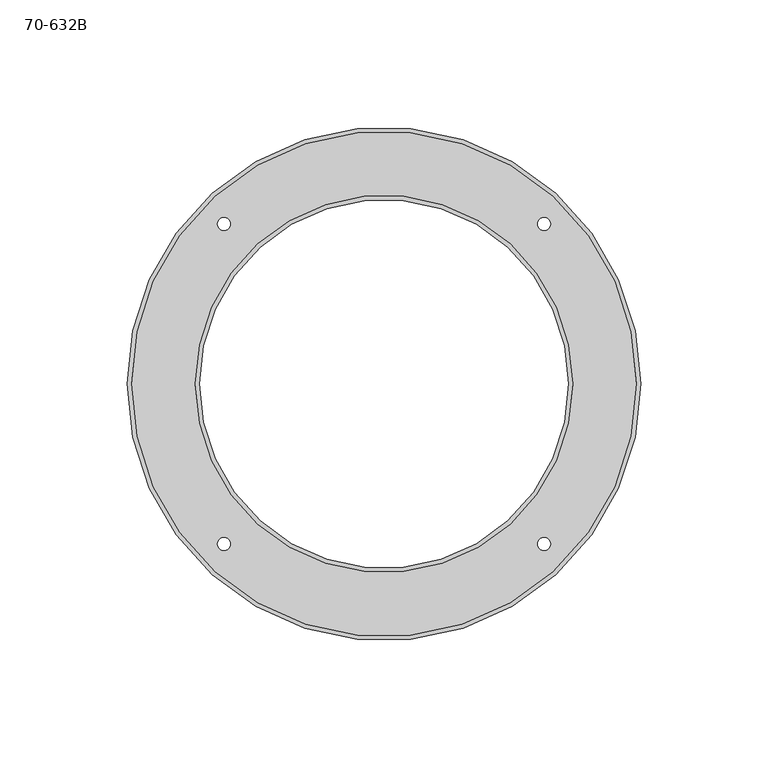
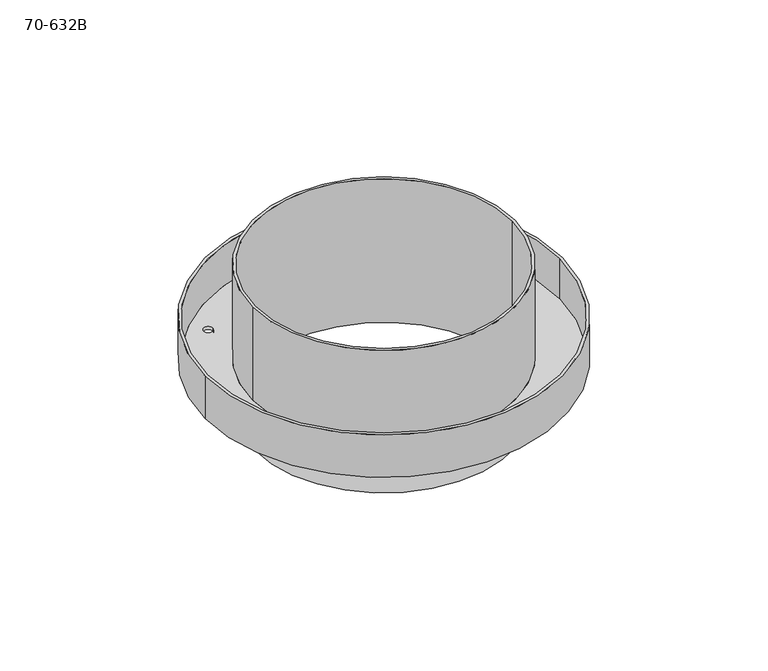
"""IFC4 building model written with IfcOpenShell, lengths in millimetres: proxy geometry, 70-632B."""

import ifcopenshell
import ifcopenshell.guid

model = None  # the IFC model being written
_history = None  # IfcOwnerHistory: only IFC2X3 demands one
_inside = {}  # id of a spatial element -> (the spatial element, [elements in it])
_under = {}  # id of a project, library or spatial element -> (it, [spatial elements below it])
_declared = {}  # id of a project -> (the project, [libraries it declares])
_typed = {}  # id of a type object -> (the type object, [elements of that type])
_made_of = {}  # id of a material, layer set ... -> (it, [elements and type objects made of it])


def new_model(schema):
    """Start an empty IFC model of exactly this schema.

    Asked for "IFC4X3", IfcOpenShell would pick the latest addendum, in which some entities
    have other attributes; the version numbers below select the first issue.
    IFC2X3 requires an IfcOwnerHistory on every rooted entity: one is made here for all.
    """
    global model, _history
    if schema == "IFC4X3":
        model = ifcopenshell.file(schema_version=(4, 3, 0, 0))
    else:
        model = ifcopenshell.file(schema=schema)
    _inside.clear()
    _under.clear()
    _declared.clear()
    _typed.clear()
    _made_of.clear()
    _history = None
    if model.schema == "IFC2X3":
        org = make("IfcOrganization", Name="unknown")
        user = make(
            "IfcPersonAndOrganization",
            ThePerson=make("IfcPerson", FamilyName="unknown"),
            TheOrganization=org,
        )
        app = make(
            "IfcApplication",
            ApplicationDeveloper=org,
            Version="unknown",
            ApplicationFullName="unknown",
            ApplicationIdentifier="unknown",
        )
        _history = make(
            "IfcOwnerHistory",
            OwningUser=user,
            OwningApplication=app,
            ChangeAction="ADDED",
            CreationDate=0,
        )
    return model


def make(cls, **values):
    """One entity of the class cls with the attributes given. An attribute that is None is left unset."""
    return model.create_entity(
        cls, **{name: value for name, value in values.items() if value is not None}
    )


def rooted(cls, **values):
    """An entity with a GlobalId (a new one), such as an element, a storey or a relation."""
    return make(cls, GlobalId=ifcopenshell.guid.new(), OwnerHistory=_history, **values)


def si_unit(unit_type, name, prefix=None):
    """IfcSIUnit, for example si_unit("LENGTHUNIT", "METRE", prefix="MILLI")."""
    return make("IfcSIUnit", UnitType=unit_type, Prefix=prefix, Name=name)


def assignment(units):
    """IfcUnitAssignment: the units of a project."""
    return None if units is None else make("IfcUnitAssignment", Units=units)


def point(xyz):
    """IfcCartesianPoint."""
    return None if xyz is None else make("IfcCartesianPoint", Coordinates=xyz)


def direction(xyz):
    """IfcDirection."""
    return None if xyz is None else make("IfcDirection", DirectionRatios=xyz)


def frame(location, z_axis=None, x_axis=None):
    """IfcAxis2Placement3D, a coordinate frame: its origin and axes. An axis left out is left unset."""
    return make(
        "IfcAxis2Placement3D",
        Location=point(location),
        Axis=direction(z_axis),
        RefDirection=direction(x_axis),
    )


def origin():
    """The frame at (0, 0, 0) with its axes left unset."""
    return frame((0.0, 0.0, 0.0))


def place(relative_to, where):
    """IfcLocalPlacement: puts the frame where relative to a parent placement (None: the world)."""
    return make(
        "IfcLocalPlacement", PlacementRelTo=relative_to, RelativePlacement=where
    )


def context(
    kind, dimensions, precision=None, world=None, true_north=None, identifier=None
):
    """IfcGeometricRepresentationContext, for example the 3D "Model" context."""
    return make(
        "IfcGeometricRepresentationContext",
        ContextIdentifier=identifier,
        ContextType=kind,
        CoordinateSpaceDimension=dimensions,
        Precision=precision,
        WorldCoordinateSystem=world,
        TrueNorth=true_north,
    )


def project(units=None, contexts=None):
    """IfcProject with its units and contexts."""
    return rooted(
        "IfcProject",
        Name="project",
        RepresentationContexts=contexts,
        UnitsInContext=assignment(units),
    )


def spatial(cls, under=None, at=None, **own):
    """A site, building, storey or space (cls), placed at a placement, below another one or the project."""
    s = rooted(cls, ObjectPlacement=at, **own)
    if under is not None:
        _under.setdefault(under.id(), (under, []))[1].append(s)
    return s


def polyline(points):
    """IfcPolyline through the points."""
    return make("IfcPolyline", Points=[point(p) for p in points])


def circle_curve(where, radius):
    """IfcCircle in the frame where."""
    return make("IfcCircle", Position=where, Radius=radius)


def shape(context_of_items, identifier, shape_type, items):
    """IfcShapeRepresentation: the items that make up one representation, for example the "Body"."""
    return make(
        "IfcShapeRepresentation",
        ContextOfItems=context_of_items,
        RepresentationIdentifier=identifier,
        RepresentationType=shape_type,
        Items=items,
    )


def source(mapping_origin, context_of_items, identifier, shape_type, items):
    """IfcRepresentationMap: a shape defined once, which mapped items show again and again."""
    return make(
        "IfcRepresentationMap",
        MappingOrigin=mapping_origin,
        MappedRepresentation=shape(context_of_items, identifier, shape_type, items),
    )


def transform(
    local_origin,
    x_axis=None,
    y_axis=None,
    z_axis=None,
    scale=None,
    scale2=None,
    scale3=None,
    uniform=True,
):
    """IfcCartesianTransformationOperator3D, or its non-uniform kind. x_axis, y_axis, z_axis: its Axis1, 2, 3."""
    if uniform:
        return make(
            "IfcCartesianTransformationOperator3D",
            Axis1=direction(x_axis),
            Axis2=direction(y_axis),
            LocalOrigin=point(local_origin),
            Scale=scale,
            Axis3=direction(z_axis),
        )
    return make(
        "IfcCartesianTransformationOperator3DnonUniform",
        Axis1=direction(x_axis),
        Axis2=direction(y_axis),
        LocalOrigin=point(local_origin),
        Scale=scale,
        Axis3=direction(z_axis),
        Scale2=scale2,
        Scale3=scale3,
    )


def mapped(mapping_source, mapping_target):
    """IfcMappedItem: shows the shape of a source again, moved by a transform."""
    return make(
        "IfcMappedItem", MappingSource=mapping_source, MappingTarget=mapping_target
    )


def made_of(thing, what):
    """Note that an element or type object is made of a material, layer set ...; save() writes the relation."""
    if what is not None:
        _made_of.setdefault(what.id(), (what, []))[1].append(thing)
    return thing


def element(
    cls,
    number,
    at=None,
    inside=None,
    cuts=None,
    type_object=None,
    material=None,
    context=None,
    identifier="Body",
    shape_type=None,
    held_by="IfcProductDefinitionShape",
    body=None,
    shapes=None,
    **own,
):
    """One element of the class cls, such as IfcWall. Its Tag is "e" and its number.

    at: its placement. inside: the storey or other place that contains it. cuts: it is an
    opening in that element (IfcRelVoidsElement). A single representation is given by context,
    identifier, shape_type and body (its items); several are given by shapes. held_by: the class
    of the entity that holds the representations. save() writes the other relations.
    """
    e = rooted(cls, Tag="e%d" % number, ObjectPlacement=at, **own)
    if body is not None:
        shapes = [shape(context, identifier, shape_type, body)]
    if shapes is not None:
        e.Representation = make(held_by, Representations=shapes)
    if inside is not None:
        _inside.setdefault(inside.id(), (inside, []))[1].append(e)
    if cuts is not None:
        rooted(
            "IfcRelVoidsElement", RelatingBuildingElement=cuts, RelatedOpeningElement=e
        )
    if type_object is not None:
        _typed.setdefault(type_object.id(), (type_object, []))[1].append(e)
    return made_of(e, material)


def aggregate(whole, parts):
    """IfcRelAggregates: a whole, such as a stair, and the parts it consists of."""
    return rooted("IfcRelAggregates", RelatingObject=whole, RelatedObjects=parts)


def save(model, path):
    """Write the relations noted so far, then the file.

    IfcRelAggregates (storeys below a building ...), IfcRelContainedInSpatialStructure (elements
    in a storey), IfcRelDefinesByType, IfcRelAssociatesMaterial and IfcRelDeclares: one each for
    every whole, place, type object, material and project.
    """
    for whole, parts in _under.values():
        aggregate(whole, parts)
    for where, things in _inside.values():
        rooted(
            "IfcRelContainedInSpatialStructure",
            RelatedElements=things,
            RelatingStructure=where,
        )
    for kind, things in _typed.values():
        rooted("IfcRelDefinesByType", RelatedObjects=things, RelatingType=kind)
    for what, things in _made_of.values():
        rooted("IfcRelAssociatesMaterial", RelatedObjects=things, RelatingMaterial=what)
    for by, libraries in _declared.values():
        rooted("IfcRelDeclares", RelatingContext=by, RelatedDefinitions=libraries)
    model.write(path)


def plane_surface(at):
    """IfcPlane: the flat surface through the origin of the frame at, square to its z axis."""
    return make("IfcPlane", Position=at)


def cylinder_surface(at, radius):
    """IfcCylindricalSurface: all points at the distance radius from the z axis of the frame at."""
    return make("IfcCylindricalSurface", Position=at, Radius=radius)


def revolved_surface(curve, axis_point, axis_direction):
    """IfcSurfaceOfRevolution: the curve turned about the line through axis_point along axis_direction."""
    return make(
        "IfcSurfaceOfRevolution",
        SweptCurve=make("IfcArbitraryOpenProfileDef", ProfileType="CURVE", Curve=curve),
        AxisPosition=make("IfcAxis1Placement", Location=point(axis_point), Axis=direction(axis_direction)),
    )


def advanced_brep(points, edges, surfaces, faces):
    """IfcAdvancedBrep: a solid bounded by faces that lie on surfaces and meet in shared edges.

    An edge is (start, end): straight between two places in points (the first is 0);
    or (start, end, curve); or (start, end, curve, False) where it runs against its curve.
    A face is (place in surfaces, loops), or (place, loops, False) where it looks against
    its surface's normal. A loop lists edges by number (the first is 1), with a minus sign
    where the edge is run from its end to its start. The first loop is the outer one.
    """
    corners = [point(p) for p in points]
    vertices = [make("IfcVertexPoint", VertexGeometry=c) for c in corners]
    made = []
    for start, end, *more in edges:
        made.append(
            make(
                "IfcEdgeCurve",
                EdgeStart=vertices[start],
                EdgeEnd=vertices[end],
                EdgeGeometry=more[0] if more else make("IfcPolyline", Points=[corners[start], corners[end]]),
                SameSense=more[1] if len(more) > 1 else True,
            )
        )
    hull = []
    for where, loops, *sense in faces:
        bounds = []
        for j, loop in enumerate(loops):
            ring = [make("IfcOrientedEdge", EdgeElement=made[abs(k) - 1], Orientation=k > 0) for k in loop]
            bounds.append(
                make(
                    "IfcFaceOuterBound" if j == 0 else "IfcFaceBound",
                    Bound=make("IfcEdgeLoop", EdgeList=ring),
                    Orientation=True,
                )
            )
        hull.append(make("IfcAdvancedFace", Bounds=bounds, FaceSurface=surfaces[where], SameSense=sense[0] if sense else True))
    return make("IfcAdvancedBrep", Outer=make("IfcClosedShell", CfsFaces=hull))


def proxy_70_632b_9c6109bb(model_context):
    return source(origin(), model_context, "Body", "AdvancedBrep", [
        advanced_brep(
        [(-100.80625, 0.0, 0.0), (-100.80625, 0.0, 25.4), (100.80625, 0.0, 25.4), (100.80625, 0.0, 0.0), (72.39, 0.0, -28.575), (72.39, 0.0, 57.15), (-72.39, 0.0, 57.15), (-72.39, 0.0, -28.575), (-99.15525, 0.0, 25.4), (-99.15525, 0.0, 1.651), (99.15525, 0.0, 1.651), (99.15525, 0.0, 25.4), (74.041, 0.0, 57.15), (74.041, 0.0, 1.651), (-74.041, 0.0, 1.651), (-74.041, 0.0, 57.15), (65.4017928, 62.8617928, 0.0), (65.4017928, 62.8617928, 1.651), (60.3217928, 62.8617928, 1.651), (60.3217928, 62.8617928, 0.0), (-60.3217928, -62.8617928, 0.0), (-60.3217928, -62.8617928, 1.651), (-65.4017928, -62.8617928, 1.651), (-65.4017928, -62.8617928, 0.0), (65.4017928, -62.8617928, 0.0), (65.4017928, -62.8617928, 1.651), (60.3217928, -62.8617928, 1.651), (60.3217928, -62.8617928, 0.0), (-60.3217928, 62.8617928, 0.0), (-60.3217928, 62.8617928, 1.651), (-65.4017928, 62.8617928, 1.651), (-65.4017928, 62.8617928, 0.0), (73.0885, 0.0, 0.0), (73.0885, 0.0, -28.575), (-73.0885, 0.0, -28.575), (-73.0885, 0.0, 0.0)],
        [
            (0, 1),
            (1, 2, circle_curve(frame((0.0, 0.0, 25.4), z_axis=(0.0, 0.0, -1.0), x_axis=(-1.0, 0.0, 0.0)), 100.80625)),
            (2, 3),
            (3, 0, circle_curve(frame((0.0, 0.0, 0.0), z_axis=(0.0, 0.0, 1.0), x_axis=(-1.0, 0.0, 0.0)), 100.80625)),
            (4, 5),
            (5, 6, circle_curve(frame((0.0, 0.0, 57.15), z_axis=(0.0, 0.0, 1.0), x_axis=(1.0, 0.0, 0.0)), 72.39)),
            (6, 7),
            (7, 4, circle_curve(frame((0.0, 0.0, -28.575), z_axis=(0.0, 0.0, -1.0), x_axis=(1.0, 0.0, 0.0)), 72.39)),
            (8, 9),
            (9, 10, circle_curve(frame((0.0, 0.0, 1.651), z_axis=(0.0, 0.0, -1.0), x_axis=(-1.0, 0.0, 0.0)), 99.15525)),
            (10, 11),
            (11, 8, circle_curve(frame((0.0, 0.0, 25.4), z_axis=(0.0, 0.0, 1.0), x_axis=(-1.0, 0.0, 0.0)), 99.15525)),
            (12, 13),
            (13, 14, circle_curve(frame((0.0, 0.0, 1.651), z_axis=(0.0, 0.0, 1.0), x_axis=(1.0, 0.0, 0.0)), 74.041)),
            (14, 15),
            (15, 12, circle_curve(frame((0.0, 0.0, 57.15), z_axis=(0.0, 0.0, -1.0), x_axis=(1.0, 0.0, 0.0)), 74.041)),
            (16, 17),
            (17, 18, circle_curve(frame((62.8617928, 62.8617928, 1.651), z_axis=(0.0, 0.0, 1.0), x_axis=(1.0, 0.0, 0.0)), 2.54)),
            (18, 19),
            (19, 16, circle_curve(frame((62.8617928, 62.8617928, 0.0), z_axis=(0.0, 0.0, -1.0), x_axis=(1.0, 0.0, 0.0)), 2.54)),
            (20, 21),
            (21, 22, circle_curve(frame((-62.8617928, -62.8617928, 1.651), z_axis=(0.0, 0.0, 1.0), x_axis=(1.0, 0.0, 0.0)), 2.54)),
            (22, 23),
            (23, 20, circle_curve(frame((-62.8617928, -62.8617928, 0.0), z_axis=(0.0, 0.0, -1.0), x_axis=(1.0, 0.0, 0.0)), 2.54)),
            (24, 25),
            (25, 26, circle_curve(frame((62.8617928, -62.8617928, 1.651), z_axis=(0.0, 0.0, 1.0), x_axis=(1.0, 0.0, 0.0)), 2.54)),
            (26, 27),
            (27, 24, circle_curve(frame((62.8617928, -62.8617928, 0.0), z_axis=(0.0, 0.0, -1.0), x_axis=(1.0, 0.0, 0.0)), 2.54)),
            (28, 29),
            (29, 30, circle_curve(frame((-62.8617928, 62.8617928, 1.651), z_axis=(0.0, 0.0, 1.0), x_axis=(1.0, 0.0, 0.0)), 2.54)),
            (30, 31),
            (31, 28, circle_curve(frame((-62.8617928, 62.8617928, 0.0), z_axis=(0.0, 0.0, -1.0), x_axis=(1.0, 0.0, 0.0)), 2.54)),
            (32, 33),
            (33, 34, circle_curve(frame((0.0, 0.0, -28.575), z_axis=(0.0, 0.0, 1.0), x_axis=(1.0, 0.0, 0.0)), 73.0885)),
            (34, 35),
            (35, 32, circle_curve(frame((0.0, 0.0, 0.0), z_axis=(0.0, 0.0, -1.0), x_axis=(1.0, 0.0, 0.0)), 73.0885)),
            (32, 35, circle_curve(frame((0.0, 0.0, 0.0), z_axis=(0.0, 0.0, -1.0), x_axis=(1.0, 0.0, 0.0)), 73.0885)),
            (34, 33, circle_curve(frame((0.0, 0.0, -28.575), z_axis=(0.0, 0.0, 1.0), x_axis=(1.0, 0.0, 0.0)), 73.0885)),
            (7, 4, circle_curve(frame((0.0, 0.0, -28.575), z_axis=(0.0, 0.0, 1.0), x_axis=(1.0, 0.0, 0.0)), 72.39)),
            (28, 31, circle_curve(frame((-62.8617928, 62.8617928, 0.0), z_axis=(0.0, 0.0, -1.0), x_axis=(1.0, 0.0, 0.0)), 2.54)),
            (30, 29, circle_curve(frame((-62.8617928, 62.8617928, 1.651), z_axis=(0.0, 0.0, 1.0), x_axis=(1.0, 0.0, 0.0)), 2.54)),
            (24, 27, circle_curve(frame((62.8617928, -62.8617928, 0.0), z_axis=(0.0, 0.0, -1.0), x_axis=(1.0, 0.0, 0.0)), 2.54)),
            (26, 25, circle_curve(frame((62.8617928, -62.8617928, 1.651), z_axis=(0.0, 0.0, 1.0), x_axis=(1.0, 0.0, 0.0)), 2.54)),
            (20, 23, circle_curve(frame((-62.8617928, -62.8617928, 0.0), z_axis=(0.0, 0.0, -1.0), x_axis=(1.0, 0.0, 0.0)), 2.54)),
            (22, 21, circle_curve(frame((-62.8617928, -62.8617928, 1.651), z_axis=(0.0, 0.0, 1.0), x_axis=(1.0, 0.0, 0.0)), 2.54)),
            (16, 19, circle_curve(frame((62.8617928, 62.8617928, 0.0), z_axis=(0.0, 0.0, -1.0), x_axis=(1.0, 0.0, 0.0)), 2.54)),
            (18, 17, circle_curve(frame((62.8617928, 62.8617928, 1.651), z_axis=(0.0, 0.0, 1.0), x_axis=(1.0, 0.0, 0.0)), 2.54)),
            (1, 2, circle_curve(frame((0.0, 0.0, 25.4), z_axis=(0.0, 0.0, 1.0), x_axis=(-1.0, 0.0, 0.0)), 100.80625)),
            (11, 8, circle_curve(frame((0.0, 0.0, 25.4), z_axis=(0.0, 0.0, -1.0), x_axis=(-1.0, 0.0, 0.0)), 99.15525)),
            (9, 10, circle_curve(frame((0.0, 0.0, 1.651), z_axis=(0.0, 0.0, 1.0), x_axis=(-1.0, 0.0, 0.0)), 99.15525)),
            (13, 14, circle_curve(frame((0.0, 0.0, 1.651), z_axis=(0.0, 0.0, -1.0), x_axis=(1.0, 0.0, 0.0)), 74.041)),
            (12, 15, circle_curve(frame((0.0, 0.0, 57.15), z_axis=(0.0, 0.0, -1.0), x_axis=(1.0, 0.0, 0.0)), 74.041)),
            (6, 5, circle_curve(frame((0.0, 0.0, 57.15), z_axis=(0.0, 0.0, 1.0), x_axis=(1.0, 0.0, 0.0)), 72.39)),
            (0, 3, circle_curve(frame((0.0, 0.0, 0.0), z_axis=(0.0, 0.0, 1.0), x_axis=(-1.0, 0.0, 0.0)), 100.80625)),
        ],
        [
            cylinder_surface(frame((0.0, 0.0, 0.0), z_axis=(0.0, 0.0, 1.0), x_axis=(-1.0, 0.0, 0.0)), 100.80625),
            revolved_surface(polyline([(72.39, 0.0, 57.150000000000006), (72.39, 0.0, -28.57499999999999)]), (0.0, 0.0, -233.6442964), (0.0, 0.0, 1.0)),
            revolved_surface(polyline([(-99.15525, 0.0, 25.4), (-99.15525, 0.0, 1.651)]), (0.0, 0.0, 0.0), (0.0, 0.0, 1.0)),
            cylinder_surface(frame((0.0, 0.0, -233.6442964), z_axis=(0.0, 0.0, 1.0), x_axis=(1.0, 0.0, 0.0)), 74.041),
            revolved_surface(polyline([(65.40179280000001, 62.8617928, 0.0), (65.40179280000001, 62.8617928, 1.651)]), (62.8617928, 62.8617928, 0.0), (0.0, 0.0, -1.0)),
            revolved_surface(polyline([(-60.321792800000004, -62.8617928, 0.0), (-60.321792800000004, -62.8617928, 1.651)]), (-62.8617928, -62.8617928, 0.0), (0.0, 0.0, -1.0)),
            revolved_surface(polyline([(65.40179280000001, -62.8617928, 0.0), (65.40179280000001, -62.8617928, 1.651)]), (62.8617928, -62.8617928, 0.0), (0.0, 0.0, -1.0)),
            revolved_surface(polyline([(-60.321792800000004, 62.8617928, 0.0), (-60.321792800000004, 62.8617928, 1.651)]), (-62.8617928, 62.8617928, 0.0), (0.0, 0.0, -1.0)),
            cylinder_surface(frame((0.0, 0.0, 0.0), z_axis=(0.0, 0.0, -1.0), x_axis=(1.0, 0.0, 0.0)), 73.0885),
            plane_surface(frame((0.0, 0.0, -28.575), z_axis=(0.0, 0.0, -1.0), x_axis=(1.0, 0.0, 0.0))),
            plane_surface(frame((0.0, 0.0, 25.4), z_axis=(0.0, 0.0, 1.0), x_axis=(-1.0, 0.0, 0.0))),
            plane_surface(frame((0.0, 0.0, 1.651), z_axis=(0.0, 0.0, 1.0), x_axis=(-1.0, 0.0, 0.0))),
            plane_surface(frame((0.0, 0.0, 57.15), z_axis=(0.0, 0.0, 1.0), x_axis=(-1.0, 0.0, 0.0))),
            plane_surface(frame((0.0, 0.0, 0.0), z_axis=(0.0, 0.0, -1.0), x_axis=(-1.0, 0.0, 0.0))),
        ],
        [
            (0, [[1, 2, 3, 4]]),
            (1, [[5, 6, 7, 8]]),
            (2, [[9, 10, 11, 12]]),
            (3, [[13, 14, 15, 16]]),
            (4, [[17, 18, 19, 20]]),
            (5, [[21, 22, 23, 24]]),
            (6, [[25, 26, 27, 28]]),
            (7, [[29, 30, 31, 32]]),
            (8, [[33, 34, 35, 36]]),
            (8, [[-33, 37, -35, 38]]),
            (9, [[-38, -34], [39, -8]]),
            (7, [[-29, 40, -31, 41]]),
            (6, [[-25, 42, -27, 43]]),
            (5, [[-21, 44, -23, 45]]),
            (4, [[-17, 46, -19, 47]]),
            (10, [[48, -2], [-12, 49]]),
            (11, [[50, -10], [-18, -47], [-22, -45], [-26, -43], [-30, -41], [51, -14]]),
            (3, [[-13, 52, -15, -51]]),
            (2, [[-9, -49, -11, -50]]),
            (1, [[-5, -39, -7, 53]]),
            (0, [[-1, 54, -3, -48]]),
            (12, [[-52, -16], [-53, -6]]),
            (13, [[-54, -4], [-37, -36], [-40, -32], [-42, -28], [-44, -24], [-46, -20]]),
        ],
    ),
    ])


if __name__ == "__main__":
    model = new_model("IFC4")
    model_context = context("Model", 3, world=origin())
    ifc_project = project(units=[si_unit("LENGTHUNIT", "METRE", prefix="MILLI")], contexts=[model_context])
    site = spatial("IfcSite", under=ifc_project)
    building = spatial("IfcBuilding", under=site)
    placement = place(None, origin())
    proxy_70_632b_shape = proxy_70_632b_9c6109bb(model_context)
    element("IfcBuildingElementProxy", 1, Name="70-632B", ObjectType="70-632B", at=placement, inside=building, context=model_context, shape_type="MappedRepresentation", body=[
        mapped(proxy_70_632b_shape, transform((0.0, 0.0, 0.0), x_axis=(1.0, 0.0, 0.0), y_axis=(0.0, 1.0, 0.0), z_axis=(0.0, 0.0, 1.0))),
    ])
    save(model, "model.ifc")
